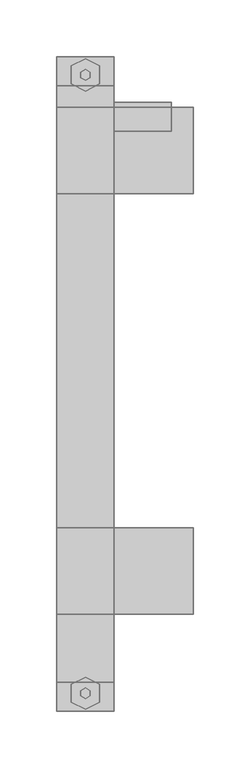
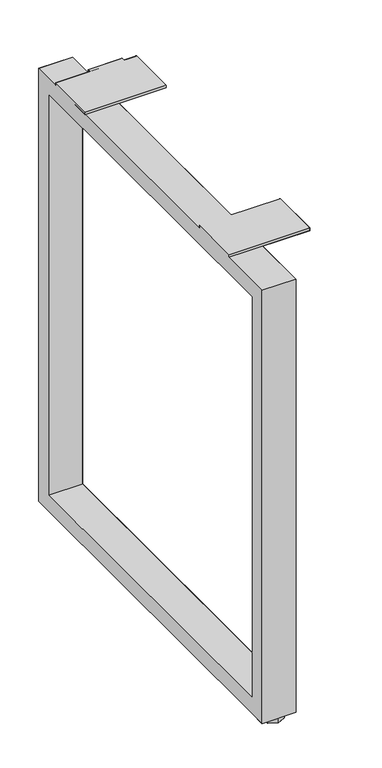
"""IFC4 building model written with IfcOpenShell, lengths in millimetres: furniture geometry."""

from ifc_helpers import new_model, si_unit, origin, place, context, project, spatial, triangles, source, transform, mapped, element, save


def furniture_928faaeb(model_context):
    return source(origin(), model_context, "Body", "Tessellation", [
        triangles([(103.1240016, -43.6879992, 665.836393), (103.1240016, -43.6879992, 670.1543707), (52.3240001, -43.6879992, 670.1543707), (52.3240001, -43.6879992, 665.836393), (103.1240016, -69.0880022, 665.836393), (103.1240016, -69.0880022, 670.1543707), (52.3240001, -69.0880022, 670.1543707), (52.3240001, -69.0880022, 665.836393), (103.1240016, -43.6879992, 695.5543465), (103.1240016, -48.0059996, 695.5543465), (52.3240001, -48.0059996, 695.5543465), (52.3240001, -43.6879992, 695.5543465), (103.1240016, -48.0059996, 670.1543707), (52.3240001, -48.0059996, 670.1543707), (1.524, -28.9559996, 665.8355936), (1.524, -28.9559996, 8.9407998), (1.524, -3.556, 8.9407998), (1.524, -3.556, 691.2355694), (52.3240001, -28.9559996, 665.8355936), (52.3240001, -28.9559996, 8.9407998), (52.3240001, -3.556, 8.9407998), (52.3240001, -3.556, 691.2355694), (1.524, -580.6439913, 691.2355694), (1.524, -580.6439913, 8.9407998), (52.3240001, -580.6439913, 8.9407998), (52.3240001, -580.6439913, 691.2355694), (52.3240001, -555.2440155, 8.9407998), (52.3240001, -555.2440155, 665.8355936), (1.524, -555.2440155, 665.8355936), (1.524, -555.2440155, 8.9407998), (52.3240001, -555.2440155, 34.3408), (52.3240001, -28.9559996, 34.3408), (1.524, -555.2440155, 34.3408), (1.524, -28.9559996, 34.3408), (1.524, -418.7189913, 695.5536198), (1.524, -494.9189913, 695.5536198), (122.1740016, -494.9189913, 695.5536198), (122.1740016, -418.7189913, 695.5536198), (1.524, -418.7189913, 691.2355694), (1.524, -494.9189913, 691.2355694), (122.1740016, -494.9189913, 691.2355694), (122.1740016, -418.7189913, 691.2355694), (122.1740016, -48.0059996, 695.5536198), (1.524, -48.0059996, 695.5536198), (1.524, -48.0059996, 691.2355694), (122.1740016, -48.0059996, 691.2355694), (122.1740016, -124.2059996, 695.5536198), (1.524, -124.2059996, 695.5536198), (1.524, -124.2059996, 691.2355694), (122.1740016, -124.2059996, 691.2355694)], [[1, 2, 3], [1, 3, 4], [5, 6, 7], [5, 7, 8], [5, 6, 2], [5, 2, 1], [8, 7, 3], [8, 3, 4], [8, 5, 4], [5, 1, 4], [7, 6, 3], [6, 2, 3], [9, 10, 11], [9, 11, 12], [2, 13, 14], [2, 14, 3], [2, 13, 10], [2, 10, 9], [3, 14, 11], [3, 11, 12], [3, 2, 9], [3, 9, 12], [14, 13, 10], [14, 10, 11], [15, 16, 17], [15, 17, 18], [19, 20, 21], [19, 21, 22], [20, 19, 15], [20, 15, 16], [18, 17, 21], [18, 21, 22], [23, 24, 25], [23, 25, 26], [27, 28, 29], [27, 29, 30], [28, 27, 25], [28, 25, 26], [29, 30, 24], [29, 24, 23], [20, 27, 31], [20, 31, 32], [16, 30, 33], [16, 33, 34], [27, 20, 16], [27, 16, 30], [34, 33, 31], [34, 31, 32], [15, 29, 23], [15, 23, 18], [19, 28, 26], [19, 26, 22], [28, 19, 15], [28, 15, 29], [18, 23, 26], [18, 26, 22], [35, 36, 37], [35, 37, 38], [39, 40, 41], [39, 41, 42], [37, 36, 40], [37, 40, 41], [38, 35, 39], [38, 39, 42], [43, 44, 45], [43, 45, 46], [47, 48, 49], [47, 49, 50], [45, 49, 50], [45, 50, 46], [44, 48, 47], [44, 47, 43], [35, 36, 39], [36, 40, 39], [44, 48, 49], [44, 49, 45], [38, 37, 42], [37, 41, 42], [43, 47, 50], [43, 50, 46], [21, 20, 16], [21, 16, 17], [27, 25, 24], [27, 24, 30]], closed=False),
        triangles([(14.2240001, -11.4935004, 0.0), (26.9239993, -5.1435002, 0.0), (26.9239993, -33.7184996, 0.0), (14.2240001, -27.3684989, 0.0), (39.6239985, -27.3684989, 0.0), (39.6239985, -11.4935004, 0.0), (14.2240001, -556.8314913, 0.0), (26.9239993, -550.4815155, 0.0), (26.9239993, -579.0565155, 0.0), (14.2240001, -572.7065034, 0.0), (39.6239985, -572.7065034, 0.0), (39.6239985, -556.8314913, 0.0), (26.9239993, -24.1934996, 8.1534001), (22.7995531, -21.8122496, 8.1534001), (22.7995531, -21.8122496, 8.9407998), (26.9239993, -24.1934996, 8.9407998), (22.7995531, -17.0497496, 8.1534001), (22.7995531, -17.0497496, 8.9407998), (26.9239993, -14.6684996, 8.1534001), (26.9239993, -14.6684996, 8.9407998), (31.0484455, -17.0497496, 8.1534001), (31.0484455, -17.0497496, 8.9407998), (31.0484455, -21.8122496, 8.1534001), (31.0484455, -21.8122496, 8.9407998), (26.9239993, -569.5315155, 8.1534001), (22.7995531, -567.1502655, 8.1534001), (26.9239993, -569.5315155, 8.9407998), (22.7995531, -567.1502655, 8.9407998), (22.7995531, -562.3877655, 8.1534001), (22.7995531, -562.3877655, 8.9407998), (26.9239993, -560.0065155, 8.1534001), (26.9239993, -560.0065155, 8.9407998), (31.0484455, -562.3877655, 8.1534001), (31.0484455, -562.3877655, 8.9407998), (31.0484455, -567.1502655, 8.1534001), (31.0484455, -567.1502655, 8.9407998), (26.9239993, -5.1435002, 8.1534001), (39.6239985, -11.4935004, 8.1534001), (26.9239993, -33.7184996, 8.1534001), (39.6239985, -27.3684989, 8.1534001), (26.9239993, -550.4815155, 8.1534001), (39.6239985, -556.8314913, 8.1534001), (26.9239993, -579.0565155, 8.1534001), (39.6239985, -572.7065034, 8.1534001), (14.2240001, -11.4935004, 8.1534001), (14.2240001, -27.3684989, 8.1534001), (14.2240001, -556.8314913, 8.1534001), (14.2240001, -572.7065034, 8.1534001)], [[1, 2, 3], [1, 3, 4], [3, 2, 5], [2, 6, 5], [7, 8, 9], [7, 9, 10], [9, 8, 11], [8, 12, 11], [13, 14, 15], [13, 15, 16], [14, 17, 18], [14, 18, 15], [17, 19, 20], [17, 20, 18], [19, 21, 22], [19, 22, 20], [21, 23, 24], [21, 24, 22], [23, 13, 16], [23, 16, 24], [25, 26, 27], [26, 28, 27], [26, 29, 28], [29, 30, 28], [29, 31, 30], [31, 32, 30], [31, 33, 34], [31, 34, 32], [33, 35, 36], [33, 36, 34], [35, 25, 27], [35, 27, 36], [37, 2, 38], [2, 6, 38], [39, 3, 5], [39, 5, 40], [39, 40, 23], [39, 23, 13], [38, 21, 23], [38, 23, 40], [37, 19, 21], [37, 21, 38], [41, 8, 12], [41, 12, 42], [43, 9, 11], [43, 11, 44], [43, 44, 35], [43, 35, 25], [42, 33, 35], [42, 35, 44], [41, 31, 33], [41, 33, 42], [1, 2, 37], [1, 37, 45], [4, 1, 45], [4, 45, 46], [39, 46, 4], [39, 4, 3], [17, 19, 45], [19, 37, 45], [14, 17, 45], [14, 45, 46], [13, 14, 39], [14, 46, 39], [7, 8, 41], [7, 41, 47], [10, 7, 47], [10, 47, 48], [43, 48, 10], [43, 10, 9], [29, 31, 47], [31, 41, 47], [26, 29, 47], [26, 47, 48], [25, 26, 48], [25, 48, 43], [38, 40, 5], [38, 5, 6], [42, 44, 11], [42, 11, 12]], closed=False),
    ])


if __name__ == "__main__":
    model = new_model("IFC4")
    model_context = context("Model", 3, world=origin())
    ifc_project = project(units=[si_unit("LENGTHUNIT", "METRE", prefix="MILLI")], contexts=[model_context])
    site = spatial("IfcSite", under=ifc_project)
    building = spatial("IfcBuilding", under=site)
    placement = place(None, origin())
    furniture_shape = furniture_928faaeb(model_context)
    element("IfcFurniture", 1, at=placement, inside=building, context=model_context, shape_type="MappedRepresentation", body=[
        mapped(furniture_shape, transform((0.0, 0.0, 0.0), x_axis=(1.0, 0.0, 0.0), y_axis=(0.0, 1.0, 0.0), z_axis=(0.0, 0.0, 1.0))),
    ])
    save(model, "model.ifc")
